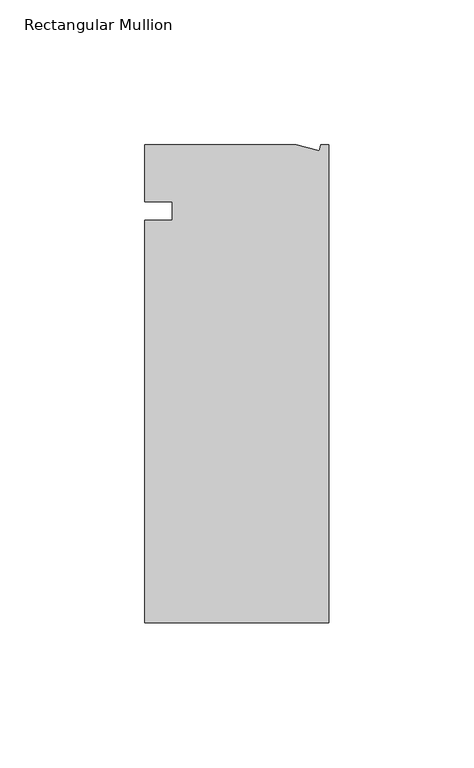
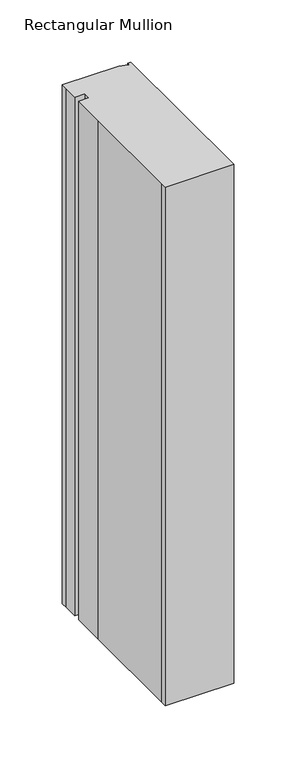
"""IFC4 building model written with IfcOpenShell, lengths in millimetres: member geometry, Rectangular Mullion."""

from ifc_helpers import new_model, si_unit, frame, origin, place, context, project, spatial, polyline, outline, extrude, source, transform, mapped, element, save


def rectangular_mullion_f5f3956e(model_context):
    return source(origin(), model_context, "Body", "SweptSolid", [
        extrude(outline(polyline([(-11.1265412, 19.6597595), (-3.3457217, 17.5748952), (-2.787084, 19.6597595), (0.0, 19.6597595), (0.0, -145.4402405), (-63.5, -145.4402405), (-63.5, -139.0912527), (-63.5, -38.3358837), (-63.5, -6.35), (-53.975, -6.35), (-53.975, 0.0), (-63.5, 0.0), (-63.5, 13.6146679), (-63.5, 19.6597595), (-11.1265412, 19.6597595)])), frame((0.0, 0.0, -508.0), z_axis=(0.0, 0.0, 1.0), x_axis=(1.0, 0.0, 0.0)), (0.0, 0.0, 1.0), 508.0),
    ])


if __name__ == "__main__":
    model = new_model("IFC4")
    model_context = context("Model", 3, world=origin())
    ifc_project = project(units=[si_unit("LENGTHUNIT", "METRE", prefix="MILLI")], contexts=[model_context])
    site = spatial("IfcSite", under=ifc_project)
    building = spatial("IfcBuilding", under=site)
    placement = place(None, origin())
    rectangular_mullion_shape = rectangular_mullion_f5f3956e(model_context)
    element("IfcMember", 1, ObjectType="Rectangular Mullion", at=placement, inside=building, context=model_context, shape_type="MappedRepresentation", body=[
        mapped(rectangular_mullion_shape, transform((0.0, 0.0, 0.0), x_axis=(1.0, 0.0, 0.0), y_axis=(0.0, 1.0, 0.0), z_axis=(0.0, 0.0, 1.0))),
    ])
    save(model, "model.ifc")
